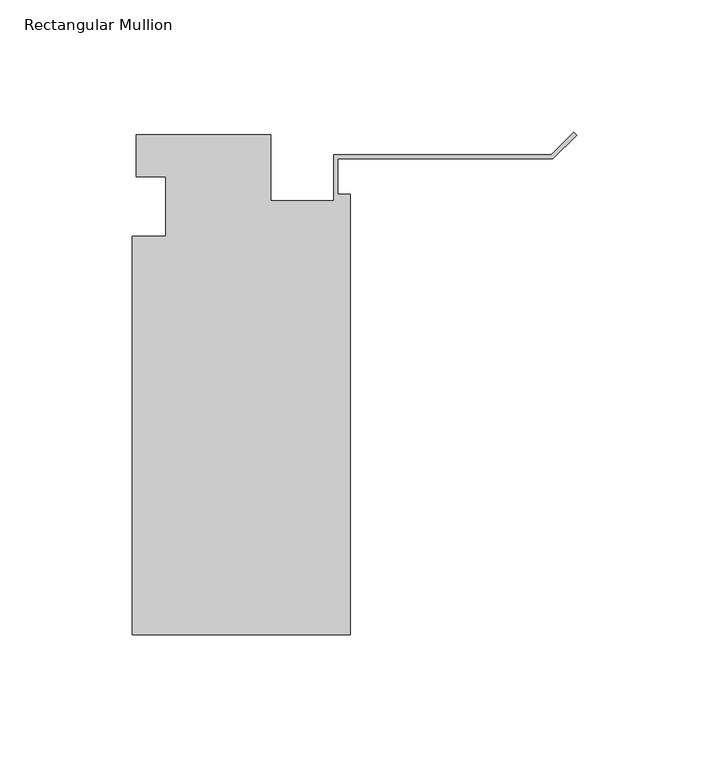
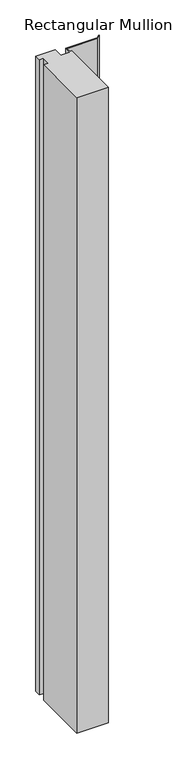
"""IFC4 building model written with IfcOpenShell, lengths in millimetres: member geometry, Rectangular Mullion."""

from ifc_helpers import new_model, si_unit, frame, origin, place, context, project, spatial, polyline, outline, extrude, source, transform, mapped, element, save


def rectangular_mullion_6b1248a7(model_context):
    return source(origin(), model_context, "Body", "SweptSolid", [
        extrude(outline(polyline([(-166.5396311, 0.3532188), (-115.7396311, 0.3532188), (-115.7396311, -24.5133812), (-91.9271311, -24.5133812), (-91.9271311, -7.1508736), (-9.6378202, -7.1508736), (-1.122532, 1.3644146), (0.0, 0.2418825), (-8.9802561, -8.7383736), (-90.3396311, -8.7383736), (-90.3396311, -22.1257812), (-85.5771311, -22.1257812), (-85.5771311, -188.8132813), (-168.1144311, -188.8132813), (-168.1144311, -38.0007813), (-155.4144311, -38.0007812), (-155.4144311, -15.5217812), (-166.5396311, -15.5217812), (-166.5396311, 0.3532188)])), frame((0.0, 0.0, -1760.4382813), z_axis=(0.0, 0.0, 1.0), x_axis=(1.0, 0.0, 0.0)), (0.0, 0.0, 1.0), 1760.4382813),
    ])


if __name__ == "__main__":
    model = new_model("IFC4")
    model_context = context("Model", 3, world=origin())
    ifc_project = project(units=[si_unit("LENGTHUNIT", "METRE", prefix="MILLI")], contexts=[model_context])
    site = spatial("IfcSite", under=ifc_project)
    building = spatial("IfcBuilding", under=site)
    placement = place(None, origin())
    rectangular_mullion_shape = rectangular_mullion_6b1248a7(model_context)
    element("IfcMember", 1, ObjectType="Rectangular Mullion", at=placement, inside=building, context=model_context, shape_type="MappedRepresentation", body=[
        mapped(rectangular_mullion_shape, transform((0.0, 0.0, 0.0), x_axis=(1.0, 0.0, 0.0), y_axis=(0.0, 1.0, 0.0), z_axis=(0.0, 0.0, 1.0))),
    ])
    save(model, "model.ifc")
